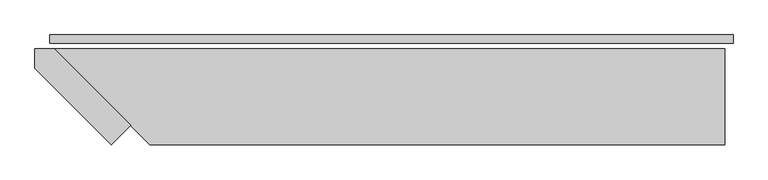
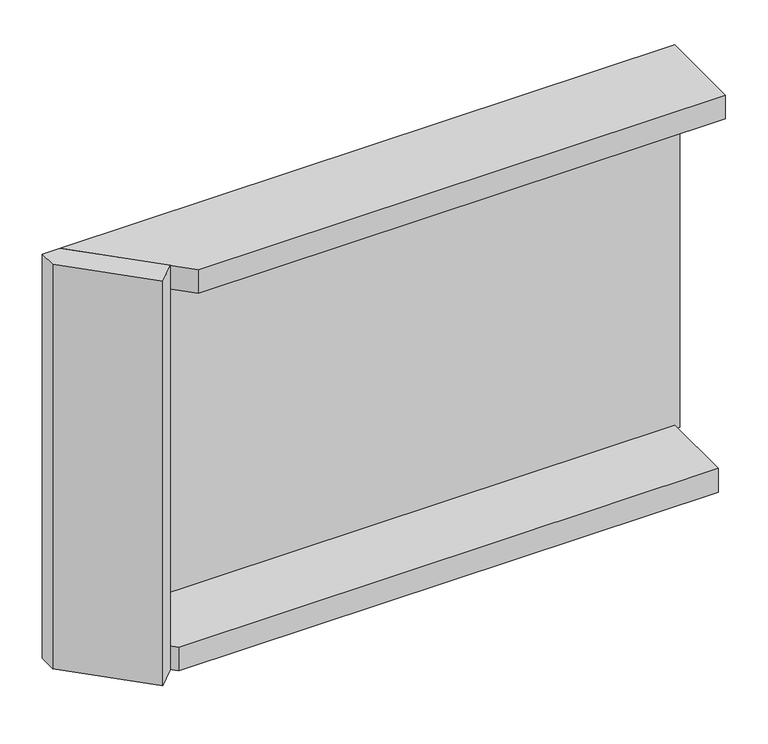
"""IFC4 building model written with IfcOpenShell, lengths in millimetres: plate geometry."""

from ifc_helpers import new_model, si_unit, frame, origin, origin_with_axes, place, context, project, spatial, polyline, outline, extrude, source, transform, mapped, element, save


def plate_e258ea48(model_context):
    return source(origin(), model_context, "Body", "SweptSolid", [
        extrude(outline(polyline([(1000.5, 0.0), (1000.5, -25.0), (-1000.5, -25.0), (-1000.5, 0.0), (1000.5, 0.0)])), origin_with_axes(), (0.0, 0.0, 1.0), 1254.465707),
        extrude(outline(polyline([(-763.5, -264.4314575), (-820.0685425, -321.0), (-1043.5, -97.5685425), (-1043.5, -41.0), (-986.9314575, -41.0), (-763.5, -264.4314575)])), frame((0.0, 0.0, -55.0), z_axis=(0.0, 0.0, 1.0), x_axis=(1.0, 0.0, 0.0)), (0.0, 0.0, 1.0), 1364.465707),
        extrude(outline(polyline([(975.5, -281.0), (-746.9314575, -281.0), (-986.9314575, -41.0), (975.5, -41.0), (975.5, -281.0)])), frame((0.0, 0.0, -55.0), z_axis=(0.0, 0.0, 1.0), x_axis=(1.0, 0.0, 0.0)), (0.0, 0.0, 1.0), 80.0),
        extrude(outline(polyline([(975.5, -321.0), (-706.9314575, -321.0), (-986.9314575, -41.0), (975.5, -41.0), (975.5, -321.0)])), frame((0.0, 0.0, 1229.465707), z_axis=(0.0, 0.0, 1.0), x_axis=(1.0, 0.0, 0.0)), (0.0, 0.0, 1.0), 80.0),
    ])


if __name__ == "__main__":
    model = new_model("IFC4")
    model_context = context("Model", 3, world=origin())
    ifc_project = project(units=[si_unit("LENGTHUNIT", "METRE", prefix="MILLI")], contexts=[model_context])
    site = spatial("IfcSite", under=ifc_project)
    building = spatial("IfcBuilding", under=site)
    placement = place(None, origin())
    plate_shape = plate_e258ea48(model_context)
    element("IfcPlate", 1, at=placement, inside=building, context=model_context, shape_type="MappedRepresentation", body=[
        mapped(plate_shape, transform((0.0, 0.0, 0.0), x_axis=(1.0, 0.0, 0.0), y_axis=(0.0, 1.0, 0.0), z_axis=(0.0, 0.0, 1.0))),
    ])
    save(model, "model.ifc")
